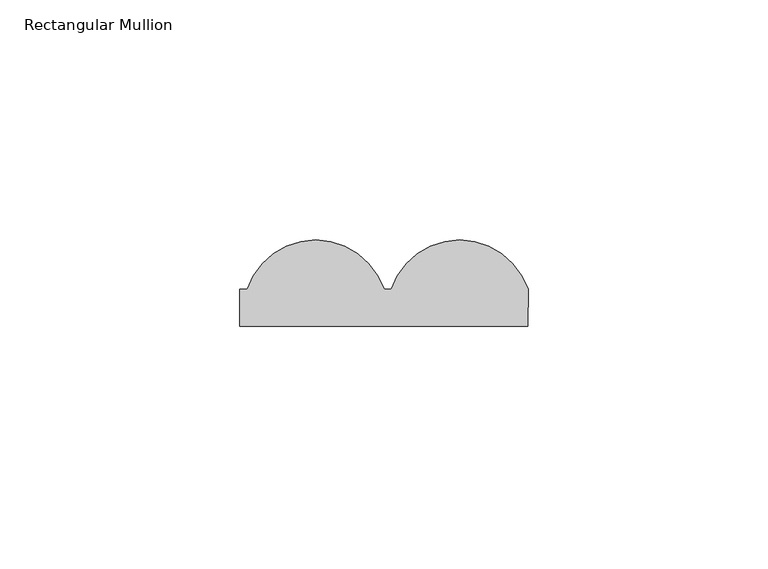
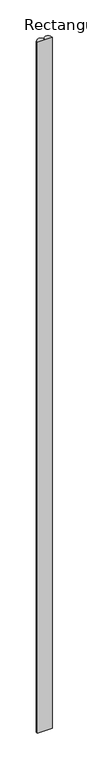
"""IFC4 building model written with IfcOpenShell, lengths in millimetres: member geometry, Rectangular Mullion."""

from ifc_helpers import new_model, si_unit, point, frame, frame_2d, origin, place, context, project, spatial, polyline, circle_curve, trimmed, segment, composite_curve, outline, extrude, source, transform, mapped, element, save


def rectangular_mullion_5a4ddefa(model_context):
    return source(origin(), model_context, "Body", "SweptSolid", [
        extrude(outline(composite_curve([segment(polyline([(-30.0, 7.716254), (-28.4785497, 7.716254)]), True, "CONTINUOUS"), segment(trimmed(circle_curve(frame_2d((-14.2392748, 3.0)), 15.0), [point((-28.4785497, 7.716254))], [point((0.0, 7.716254))], False, "CARTESIAN"), True, "CONTINUOUS"), segment(polyline([(0.0, 7.716254), (1.5214503, 7.716254)]), True, "CONTINUOUS"), segment(trimmed(circle_curve(frame_2d((15.7607252, 3.0)), 15.0), [point((1.5214503, 7.716254))], [point((30.0, 7.716254))], False, "CARTESIAN"), True, "CONTINUOUS"), segment(polyline([(30.0, 7.716254), (30.0, 0.0), (-30.0, 0.0), (-30.0, 7.716254)]), True, "CONTINUOUS")], self_intersect=False)), frame((0.0, 0.0, -3000.0), z_axis=(0.0, 0.0, 1.0), x_axis=(1.0, 0.0, 0.0)), (0.0, 0.0, 1.0), 3000.0),
    ])


if __name__ == "__main__":
    model = new_model("IFC4")
    model_context = context("Model", 3, world=origin())
    ifc_project = project(units=[si_unit("LENGTHUNIT", "METRE", prefix="MILLI")], contexts=[model_context])
    site = spatial("IfcSite", under=ifc_project)
    building = spatial("IfcBuilding", under=site)
    placement = place(None, origin())
    rectangular_mullion_shape = rectangular_mullion_5a4ddefa(model_context)
    element("IfcMember", 1, ObjectType="Rectangular Mullion", at=placement, inside=building, context=model_context, shape_type="MappedRepresentation", body=[
        mapped(rectangular_mullion_shape, transform((0.0, 0.0, 0.0), x_axis=(1.0, 0.0, 0.0), y_axis=(0.0, 1.0, 0.0), z_axis=(0.0, 0.0, 1.0))),
    ])
    save(model, "model.ifc")
